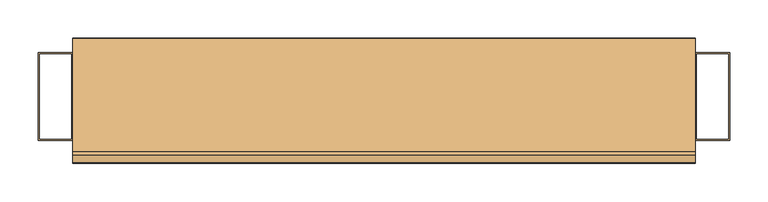
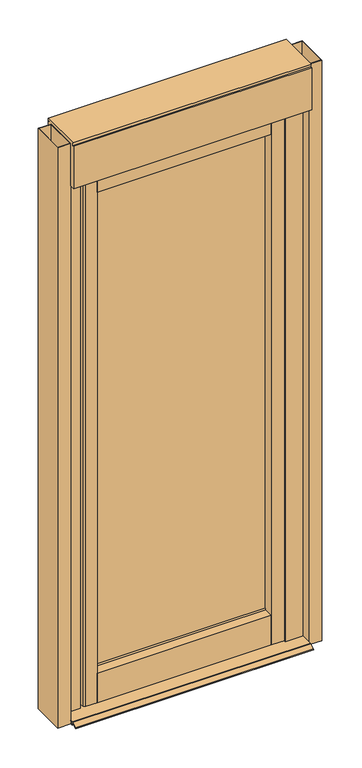
"""IFC4 building model written with IfcOpenShell, lengths in millimetres: door geometry."""

from ifc_helpers import new_model, si_unit, point, frame, frame_2d, origin, origin_with_axes, place, context, project, spatial, polyline, circle_curve, trimmed, segment, composite_curve, outline, extrude, source, transform, mapped, element, save
from ifc_brep_helpers import plane_surface, revolved_surface, advanced_brep


def door_c9b3618d(model_context):
    return source(origin(), model_context, "Body", "SolidModel", [
        extrude(outline(composite_curve([segment(polyline([(-296.4107105, 24.9905166), (-296.4107105, -24.9905166), (-334.8078894, -24.9905166)]), True, "CONTINUOUS"), segment(trimmed(circle_curve(frame_2d((-334.8078894, -17.4043509)), 7.5861657), [point((-334.8078894, -24.9905166))], [point((-341.5800054, -20.8231744))], False, "CARTESIAN"), True, "CONTINUOUS"), segment(trimmed(circle_curve(frame_2d((-283.4241338, 0.1003584)), 61.8053366), [point((-341.5800054, -20.8231744))], [point((-341.9973332, 19.8254679))], False, "CARTESIAN"), True, "CONTINUOUS"), segment(trimmed(circle_curve(frame_2d((-334.8078894, 17.4043509)), 7.5861657), [point((-341.9973332, 19.8254679))], [point((-334.8078894, 24.9905166))], False, "CARTESIAN"), True, "CONTINUOUS"), segment(polyline([(-334.8078894, 24.9905166), (-296.4107105, 24.9905166)]), True, "CONTINUOUS")], self_intersect=False)), frame((0.0, 0.0, 18.6653125), z_axis=(0.0, 0.0, 1.0), x_axis=(1.0, 0.0, 0.0)), (0.0, 0.0, 1.0), 1919.3346875),
        extrude(outline(polyline([(296.5892895, -24.9905166), (296.5892895, 24.9905166), (341.5892895, 24.9905166), (341.5892895, -24.9905166), (296.5892895, -24.9905166)])), frame((0.0, 0.0, 18.6653125), z_axis=(0.0, 0.0, 1.0), x_axis=(1.0, 0.0, 0.0)), (0.0, 0.0, 1.0), 1919.3346875),
        extrude(outline(polyline([(45.0172844, -0.0536091), (42.5170063, -0.0536091), (41.4386914, 1.6224299), (27.9571715, 9.4272937), (25.4603386, 10.4453194), (24.7549553, 9.8234797), (24.7549553, -0.0536091), (22.2546772, -0.0536091), (22.2546772, 9.6960112), (21.5053689, 10.4453194), (-63.3187522, 10.4453194), (-64.0680604, 9.6960112), (-64.0680604, -0.0536091), (-66.5691997, -0.0536091), (-66.5691997, 9.8234797), (-67.2737218, 10.4453194), (-69.771416, 9.4272937), (-83.2520746, 1.6224299), (-84.3312508, -0.0536091), (-86.8315288, -0.0536091), (-86.8315288, 1.2555272), (-85.7962777, 3.0073583), (-69.771416, 12.27122), (-67.2737218, 12.9421524), (25.4603386, 12.9421524), (27.9571715, 12.27122), (43.9820332, 3.0073583), (45.0172844, 1.2555272), (45.0172844, -0.0536091)])), frame((-405.3405018, 0.0, 0.0), z_axis=(1.0, 0.0, 0.0), x_axis=(0.0, 1.0, 0.0)), (0.0, 0.0, 1.0), 810.6810036),
        extrude(outline(polyline([(-450.0, 57.3046595), (-405.3405018, 57.3046595), (-405.3405018, -57.3046595), (-450.0, -57.3046595), (-450.0, 57.3046595)]), holes=[polyline([(-448.0, -55.3046595), (-407.3405018, -55.3046595), (-407.3405018, 55.3046595), (-448.0, 55.3046595), (-448.0, -55.3046595)])]), origin_with_axes(), (0.0, 0.0, 1.0), 2090.0),
        extrude(outline(polyline([(450.0, 57.3046595), (450.0, -57.3046595), (405.3405018, -57.3046595), (405.3405018, 57.3046595), (450.0, 57.3046595)]), holes=[polyline([(448.0, -55.3046595), (448.0, 55.3046595), (407.3405018, 55.3046595), (407.3405018, -55.3046595), (448.0, -55.3046595)])]), origin_with_axes(), (0.0, 0.0, 1.0), 2090.0),
        extrude(outline(composite_curve([segment(polyline([(76.0105783, 2088.7607941), (76.0105783, 1938.0), (-76.0105783, 1938.0), (-76.0105783, 2090.0), (-70.9327225, 2090.0)]), True, "CONTINUOUS"), segment(trimmed(circle_curve(frame_2d((-82.5783531, 2093.9446224)), 12.2955585), [point((-70.9327225, 2090.0))], [point((-71.8772708, 2100.0))], True, "CARTESIAN"), True, "CONTINUOUS"), segment(polyline([(-71.8772708, 2100.0), (75.7238726, 2100.0)]), True, "CONTINUOUS"), segment(trimmed(circle_curve(frame_2d((86.4249549, 2093.9446224)), 12.2955585), [point((75.7238726, 2100.0))], [point((74.7834078, 2089.9879646))], True, "CARTESIAN"), True, "CONTINUOUS"), segment(trimmed(circle_curve(frame_2d((74.7834078, 2088.7607941)), 1.2271705), [point((74.7834078, 2089.9879646))], [point((76.0105783, 2088.7607941))], False, "CARTESIAN"), True, "CONTINUOUS")], self_intersect=False)), frame((-405.3405018, 0.0, 0.0), z_axis=(1.0, 0.0, 0.0), x_axis=(0.0, 1.0, 0.0)), (0.0, 0.0, 1.0), 810.6810036),
        extrude(outline(polyline([(-296.4107105, 10.6022281), (-296.4107105, 16.6022281), (296.5892895, 16.6022281), (296.5892895, 10.6022281), (-296.4107105, 10.6022281)])), frame((0.0, 0.0, 106.6745243), z_axis=(0.0, 0.0, 1.0), x_axis=(1.0, 0.0, 0.0)), (0.0, 0.0, 1.0), 1767.9250141),
        extrude(outline(polyline([(25.0037342, 18.6653125), (-24.9905166, 18.6653125), (-24.9905166, 124.8754504), (7.4992984, 124.8754504), (10.6154457, 130.9928211), (10.6154457, 106.6745243), (16.6154457, 106.6745243), (16.6154457, 128.7336851), (18.5821778, 124.864276), (25.0037342, 124.864276), (25.0037342, 18.6653125)])), frame((-296.4107105, 0.0, 0.0), z_axis=(1.0, 0.0, 0.0), x_axis=(0.0, 1.0, 0.0)), (0.0, 0.0, 1.0), 593.0),
        advanced_brep(
        [(296.5892895, -24.9979293, 1938.0036364), (296.5892895, -24.9979293, 1856.3978156), (296.5892895, -3.2995978, 1856.3978156), (296.5892895, 10.6022281, 1851.0548381), (296.5892895, 10.6022281, 1874.5995385), (296.5892895, 16.6022281, 1874.5995385), (296.5892895, 16.6022281, 1851.8048267), (296.5892895, 23.4794939, 1856.3978156), (296.5892895, 24.9905166, 1856.3978156), (296.5892895, 24.9905166, 1938.0036364), (-296.4107105, -24.9979293, 1938.0036364), (-296.4107105, 24.9905166, 1938.0036364), (-296.4107105, 24.9905166, 1856.3978156), (-296.4107105, 23.4794939, 1856.3978156), (-296.4107105, 16.6022281, 1851.8048267), (-296.4107105, 16.6022281, 1874.5995385), (-296.4107105, 10.6022281, 1874.5995385), (-296.4107105, 10.6022281, 1851.0548381), (-296.4107105, -3.2995978, 1856.3735218), (-296.4107105, -24.9979293, 1856.3978156)],
        [
            (0, 1),
            (1, 2),
            (2, 3, circle_curve(frame((296.5892895, -3.2995978, 1835.546079), z_axis=(-1.0, 0.0, 0.0), x_axis=(0.0, 0.0, -1.0)), 20.8274428)),
            (3, 4),
            (4, 5),
            (5, 6),
            (6, 7),
            (7, 8),
            (8, 9),
            (9, 0),
            (10, 11),
            (11, 12),
            (12, 13),
            (13, 14),
            (14, 15),
            (15, 16),
            (16, 17),
            (17, 18, circle_curve(frame((-296.4107105, -3.2995978, 1835.546079), z_axis=(1.0, 0.0, 0.0), x_axis=(0.0, 0.0, -1.0)), 20.8274428)),
            (18, 19),
            (19, 10),
            (0, 10),
            (19, 1),
            (18, 2),
            (17, 3),
            (16, 4),
            (15, 5),
            (14, 6),
            (13, 7),
            (12, 8),
            (11, 9),
        ],
        [
            plane_surface(frame((296.5892895, 0.0, 1881.9871051), z_axis=(1.0, 0.0, 0.0), x_axis=(0.0, -1.0, 0.0))),
            plane_surface(frame((-296.4107105, 0.0, 1881.9871051), z_axis=(-1.0, 0.0, 0.0), x_axis=(0.0, -1.0, 0.0))),
            plane_surface(frame((296.5892895, -24.9979293, 1938.0036364), z_axis=(0.0, -1.0, 0.0), x_axis=(-1.0, 0.0, 0.0))),
            plane_surface(frame((296.5892895, -24.9979293, 1856.3978156), z_axis=(0.0, 0.0, -1.0), x_axis=(-1.0, 0.0, 0.0))),
            revolved_surface(polyline([(-296.4107105, -3.2995978, 1814.7186362), (296.5892895, -3.2995978, 1814.7186362)]), (296.5892895, -3.2995978, 1835.546079), (-1.0, 0.0, 0.0)),
            plane_surface(frame((296.5892895, 10.6022281, 1851.0548381), z_axis=(0.0, 1.0, 0.0), x_axis=(-1.0, 0.0, 0.0))),
            plane_surface(frame((296.5892895, 10.6022281, 1874.5995385), z_axis=(0.0, 0.0, -1.0), x_axis=(-1.0, 0.0, 0.0))),
            plane_surface(frame((296.5892895, 16.6022281, 1874.5995385), z_axis=(0.0, -1.0, 0.0), x_axis=(-1.0, 0.0, 0.0))),
            plane_surface(frame((296.5892895, 16.6022281, 1851.8048267), z_axis=(0.0, 0.5553818601387795, -0.8315954481770503), x_axis=(-1.0, 0.0, 0.0))),
            plane_surface(frame((296.5892895, 23.4794939, 1856.3978156), z_axis=(0.0, 0.0, -1.0), x_axis=(-1.0, 0.0, 0.0))),
            plane_surface(frame((296.5892895, 24.9905166, 1856.3978156), z_axis=(0.0, 1.0, 0.0), x_axis=(-1.0, 0.0, 0.0))),
            plane_surface(frame((296.5892895, 24.9905166, 1938.0036364), z_axis=(0.0, 0.0, 1.0), x_axis=(-1.0, 0.0, 0.0))),
        ],
        [
            (0, [[1, 2, 3, 4, 5, 6, 7, 8, 9, 10]]),
            (1, [[11, 12, 13, 14, 15, 16, 17, 18, 19, 20]]),
            (2, [[-1, 21, -20, 22]]),
            (3, [[-2, -22, -19, 23]]),
            (4, [[-3, -23, -18, 24]]),
            (5, [[-4, -24, -17, 25]]),
            (6, [[-5, -25, -16, 26]]),
            (7, [[-6, -26, -15, 27]]),
            (8, [[-7, -27, -14, 28]]),
            (9, [[-8, -28, -13, 29]]),
            (10, [[-9, -29, -12, 30]]),
            (11, [[-10, -30, -11, -21]]),
        ],
    ),
        extrude(outline(polyline([(405.3405018, -25.0), (344.1213612, -25.0), (344.1213612, 25.0), (405.3405018, 25.0), (405.3405018, -25.0)])), origin_with_axes(), (0.0, 0.0, 1.0), 1938.0),
        extrude(outline(polyline([(-405.3405018, -25.0173222), (-405.3405018, 24.9826778), (-354.3584229, 24.9826778), (-354.3584229, -25.0173222), (-405.3405018, -25.0173222)])), frame((0.0, 0.0, 18.6653125), z_axis=(0.0, 0.0, 1.0), x_axis=(1.0, 0.0, 0.0)), (0.0, 0.0, 1.0), 1919.3346875),
    ])


if __name__ == "__main__":
    model = new_model("IFC4")
    model_context = context("Model", 3, world=origin())
    ifc_project = project(units=[si_unit("LENGTHUNIT", "METRE", prefix="MILLI")], contexts=[model_context])
    site = spatial("IfcSite", under=ifc_project)
    building = spatial("IfcBuilding", under=site)
    placement = place(None, origin())
    door_shape = door_c9b3618d(model_context)
    element("IfcDoor", 1, at=placement, inside=building, context=model_context, shape_type="MappedRepresentation", body=[
        mapped(door_shape, transform((0.0, 0.0, 0.0), x_axis=(1.0, 0.0, 0.0), y_axis=(0.0, 1.0, 0.0), z_axis=(0.0, 0.0, 1.0))),
    ])
    save(model, "model.ifc")
